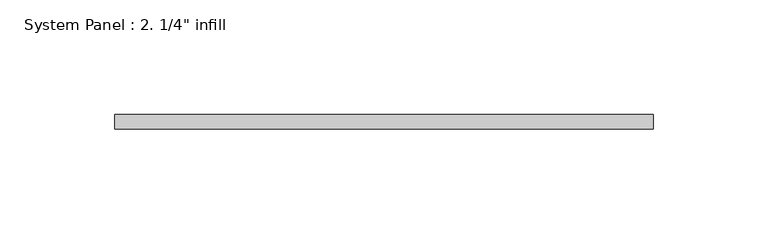
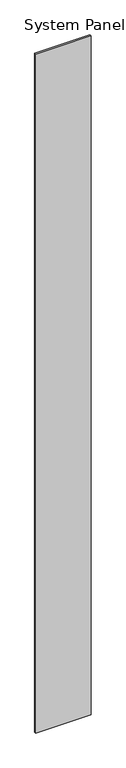
"""IFC4 building model written with IfcOpenShell, lengths in millimetres: plate geometry."""

from ifc_helpers import new_model, si_unit, origin, origin_with_axes, place, context, project, spatial, polyline, outline, extrude, source, transform, mapped, element, save


def plate_e73ee9ef(model_context):
    return source(origin(), model_context, "Body", "SweptSolid", [
        extrude(outline(polyline([(117.475, -6.35), (-117.475, -6.35), (-117.475, 0.0), (117.475, 0.0), (117.475, -6.35)])), origin_with_axes(), (0.0, 0.0, 1.0), 3048.0),
    ])


if __name__ == "__main__":
    model = new_model("IFC4")
    model_context = context("Model", 3, world=origin())
    ifc_project = project(units=[si_unit("LENGTHUNIT", "METRE", prefix="MILLI")], contexts=[model_context])
    site = spatial("IfcSite", under=ifc_project)
    building = spatial("IfcBuilding", under=site)
    placement = place(None, origin())
    plate_shape = plate_e73ee9ef(model_context)
    element("IfcPlate", 1, ObjectType="System Panel : 2. 1/4\" infill", at=placement, inside=building, context=model_context, shape_type="MappedRepresentation", body=[
        mapped(plate_shape, transform((0.0, 0.0, 0.0), x_axis=(1.0, 0.0, 0.0), y_axis=(0.0, 1.0, 0.0), z_axis=(0.0, 0.0, 1.0))),
    ])
    save(model, "model.ifc")
